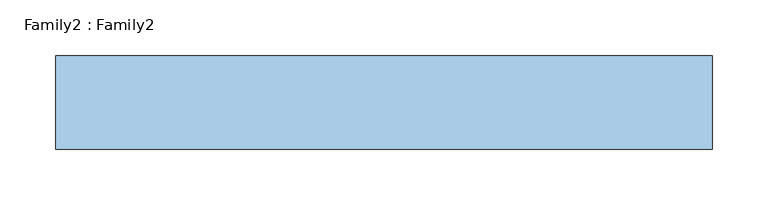
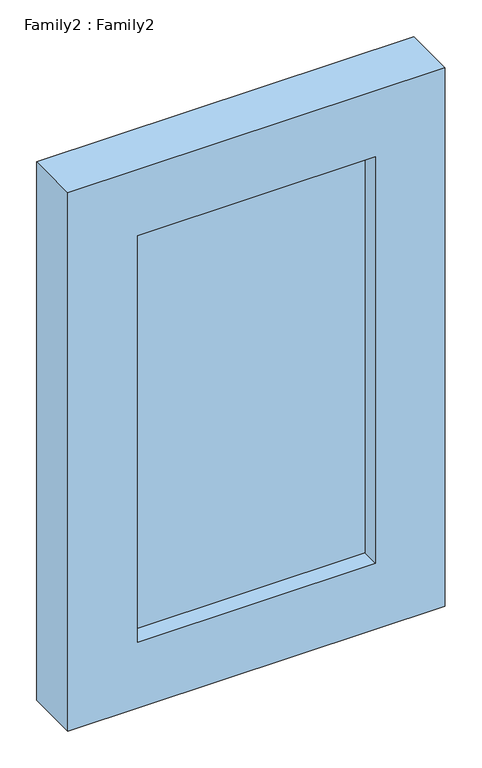
"""IFC4 building model written with IfcOpenShell, lengths in millimetres: window geometry, Family2 : Family2."""

from ifc_helpers import new_model, si_unit, frame, origin, place, context, project, spatial, polyline, outline, extrude, source, transform, mapped, element, save


def family2_family2_bacb676f(model_context):
    return source(origin(), model_context, "Body", "SweptSolid", [
        extrude(outline(polyline([(186.0, -10.0), (186.0, -14.0), (-186.0, -14.0), (-186.0, -10.0), (186.0, -10.0)])), frame((0.0, 0.0, 909.0), z_axis=(0.0, 0.0, 1.0), x_axis=(1.0, 0.0, 0.0)), (0.0, 0.0, 1.0), 672.0),
        extrude(outline(polyline([(186.0, 14.0), (186.0, 10.0), (-186.0, 10.0), (-186.0, 14.0), (186.0, 14.0)])), frame((0.0, 0.0, 909.0), z_axis=(0.0, 0.0, 1.0), x_axis=(1.0, 0.0, 0.0)), (0.0, 0.0, 1.0), 672.0),
        extrude(outline(polyline([(1690.0, 295.0), (1690.0, -295.0), (800.0, -295.0), (800.0, 295.0), (1690.0, 295.0)]), holes=[polyline([(909.0, 186.0), (909.0, -186.0), (1581.0, -186.0), (1581.0, 186.0), (909.0, 186.0)])]), frame((0.0, -42.0, 0.0), z_axis=(0.0, 1.0, 0.0), x_axis=(0.0, 0.0, 1.0)), (0.0, 0.0, 1.0), 84.0),
    ])


if __name__ == "__main__":
    model = new_model("IFC4")
    model_context = context("Model", 3, world=origin())
    ifc_project = project(units=[si_unit("LENGTHUNIT", "METRE", prefix="MILLI")], contexts=[model_context])
    site = spatial("IfcSite", under=ifc_project)
    building = spatial("IfcBuilding", under=site)
    placement = place(None, origin())
    family2_family2_shape = family2_family2_bacb676f(model_context)
    element("IfcWindow", 1, ObjectType="Family2 : Family2", at=placement, inside=building, context=model_context, shape_type="MappedRepresentation", body=[
        mapped(family2_family2_shape, transform((0.0, 0.0, 0.0), x_axis=(1.0, 0.0, 0.0), y_axis=(0.0, 1.0, 0.0), z_axis=(0.0, 0.0, 1.0))),
    ])
    save(model, "model.ifc")
